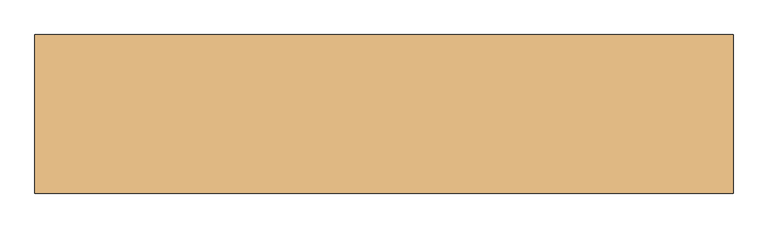
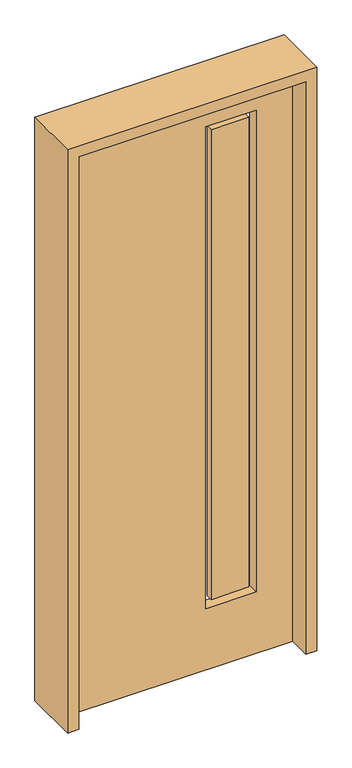
"""IFC4 building model written with IfcOpenShell, lengths in millimetres: door geometry."""

from ifc_helpers import new_model, si_unit, frame, origin, place, context, project, spatial, polyline, outline, extrude, source, transform, mapped, element, save


def door_67fed687(model_context):
    return source(origin(), model_context, "Body", "SweptSolid", [
        extrude(outline(polyline([(133.35, 12.7039749), (285.75, 12.7039749), (285.75, -14.2875), (133.35, -14.2875), (133.35, 12.7039749)])), frame((0.0, 0.0, 285.75), z_axis=(0.0, 0.0, 1.0), x_axis=(1.0, 0.0, 0.0)), (0.0, 0.0, 1.0), 2000.25),
        extrude(outline(polyline([(2438.4, 457.2), (2438.4, -457.2), (0.0, -457.2), (0.0, 457.2), (2438.4, 457.2)]), holes=[polyline([(2311.4, 107.95), (2311.4, 311.15), (260.35, 311.15), (260.35, 107.95), (2311.4, 107.95)])]), frame((0.0, -22.225, 0.0), z_axis=(0.0, 1.0, 0.0), x_axis=(0.0, 0.0, 1.0)), (0.0, 0.0, 1.0), 44.45),
        extrude(outline(polyline([(0.0, 501.65), (2482.85, 501.65), (2482.85, -501.65), (0.0, -501.65), (0.0, -457.2), (2438.4, -457.2), (2438.4, 457.2), (0.0, 457.2), (0.0, 501.65)])), frame((0.0, -114.3, 0.0), z_axis=(0.0, 1.0, 0.0), x_axis=(0.0, 0.0, 1.0)), (0.0, 0.0, 1.0), 228.6),
    ])


if __name__ == "__main__":
    model = new_model("IFC4")
    model_context = context("Model", 3, world=origin())
    ifc_project = project(units=[si_unit("LENGTHUNIT", "METRE", prefix="MILLI")], contexts=[model_context])
    site = spatial("IfcSite", under=ifc_project)
    building = spatial("IfcBuilding", under=site)
    placement = place(None, origin())
    door_shape = door_67fed687(model_context)
    element("IfcDoor", 1, at=placement, inside=building, context=model_context, shape_type="MappedRepresentation", body=[
        mapped(door_shape, transform((0.0, 0.0, 0.0), x_axis=(1.0, 0.0, 0.0), y_axis=(0.0, 1.0, 0.0), z_axis=(0.0, 0.0, 1.0))),
    ])
    save(model, "model.ifc")
